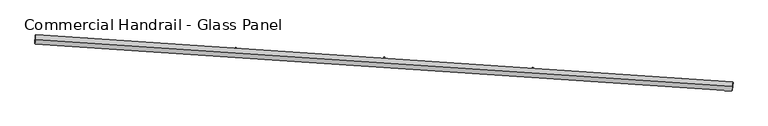
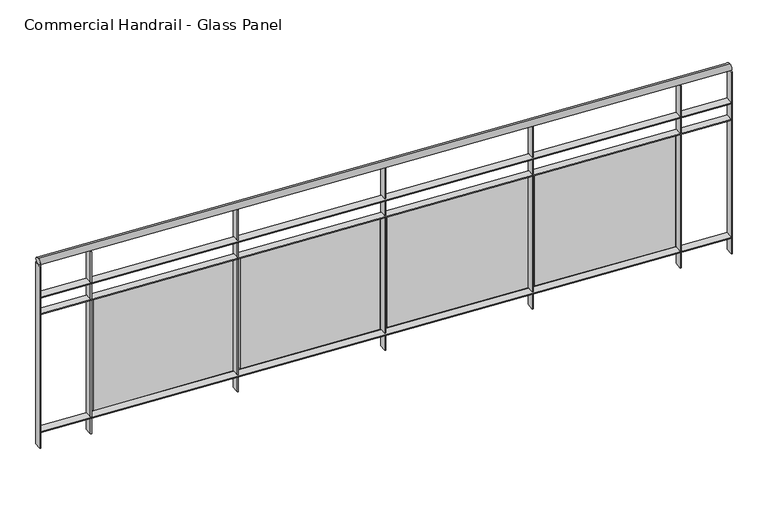
"""IFC4 building model written with IfcOpenShell, lengths in millimetres: railing geometry, Commercial Handrail - Glass Panel."""

from ifc_helpers import new_model, si_unit, point, frame, origin, place, context, project, spatial, polyline, circle_curve, ellipse_curve, trimmed, outline, extrude, source, transform, mapped, element, save
from ifc_brep_helpers import plane_surface, cylinder_surface, revolved_surface, advanced_brep


def commercial_handrail_glass_panel_ac81fc78(model_context):
    return source(origin(), model_context, "Body", "SolidModel", [
        advanced_brep(
        [(127087.1570921, -8003.1164337, 9482.5), (123343.3137882, -7749.5898626, 9482.5), (123343.3137882, -7749.5898626, 9517.5), (127087.1570921, -8003.1164337, 9517.5)],
        [
            (0, 1, circle_curve(frame((111605.6979329, -208849.2754237, 9482.5), z_axis=(0.0, 0.0, 1.0), x_axis=(0.05826798461119784, 0.9983009776461952, 0.0)), 201441.93992)),
            (1, 2, ellipse_curve(frame((123343.3137882, -7749.5898626, 9500.0), z_axis=(0.9983009776461951, -0.05826798461120429, 0.0), x_axis=(-0.058267984611204277, -0.9983009776461949, 0.0)), 25.0, 17.5)),
            (2, 3, circle_curve(frame((111605.6979329, -208849.2754237, 9517.5), z_axis=(0.0, 0.0, -1.0), x_axis=(0.05826798461119784, 0.9983009776461952, 0.0)), 201441.93992)),
            (3, 0, ellipse_curve(frame((127087.1570921, -8003.1164337, 9500.0), z_axis=(-0.9970424186232612, 0.07685320725823905, 0.0), x_axis=(-0.07685320725823903, -0.9970424186232609, 0.0)), 25.0, 17.5)),
            (2, 1, ellipse_curve(frame((123343.3137882, -7749.5898626, 9500.0), z_axis=(0.9983009776461951, -0.05826798461120429, 0.0), x_axis=(-0.058267984611204277, -0.9983009776461949, 0.0)), 25.0, 17.5)),
            (0, 3, ellipse_curve(frame((127087.1570921, -8003.1164337, 9500.0), z_axis=(-0.9970424186232612, 0.07685320725823905, 0.0), x_axis=(-0.07685320725823903, -0.9970424186232609, 0.0)), 25.0, 17.5)),
        ],
        [
            revolved_surface(trimmed(ellipse_curve(frame((123343.3137882, -7749.5898626, 9500.0), z_axis=(-0.9983009776461952, 0.05826798461119784, 0.0), x_axis=(0.0, 0.0, -1.0)), 17.5, 25.0), [point((123343.3137882, -7749.5898626, 9517.5))], [point((123343.3137882, -7749.5898626, 9482.5))], True, "CARTESIAN"), (111605.6979329, -208849.2754237, 9500.0), (0.0, 0.0, -1.0)),
            revolved_surface(trimmed(ellipse_curve(frame((123343.3137882, -7749.5898626, 9500.0), z_axis=(-0.9983009776461952, 0.05826798461119784, 0.0), x_axis=(0.0, 0.0, -1.0)), 17.5, 25.0), [point((123343.3137882, -7749.5898626, 9482.5))], [point((123343.3137882, -7749.5898626, 9517.5))], True, "CARTESIAN"), (111605.6979329, -208849.2754237, 9500.0), (0.0, 0.0, -1.0)),
            plane_surface(frame((123343.3137882, -7749.5898626, 9500.0), z_axis=(-0.9983009776461953, 0.058267984611197844, 0.0), x_axis=(0.058267984611197844, 0.9983009776461953, 0.0))),
            plane_surface(frame((127087.1570921, -8003.1164337, 9500.0), z_axis=(0.9970424186232612, -0.07685320725823909, 0.0), x_axis=(0.07685320725823909, 0.9970424186232612, 0.0))),
        ],
        [
            (0, [[1, 2, 3, 4]]),
            (1, [[-3, 5, -1, 6]]),
            (2, [[-2, -5]]),
            (3, [[-6, -4]]),
        ],
    ),
        advanced_brep(
        [(127088.8862893, -7980.6829793, 9300.0), (123344.6248179, -7727.1280906, 9300.0), (123342.0027586, -7772.0516346, 9300.0), (127085.4278949, -8025.5498881, 9300.0), (127088.8862893, -7980.6829793, 9294.0), (123344.6248179, -7727.1280906, 9294.0), (127085.4278949, -8025.5498881, 9294.0), (123342.0027586, -7772.0516346, 9294.0)],
        [
            (0, 1, circle_curve(frame((111605.6979329, -208849.2754237, 9300.0), z_axis=(0.0, 0.0, 1.0), x_axis=(0.05826798461119784, 0.9983009776461952, 0.0)), 201464.43992)),
            (1, 2),
            (2, 3, circle_curve(frame((111605.6979329, -208849.2754237, 9300.0), z_axis=(0.0, 0.0, -1.0), x_axis=(0.05826798461119784, 0.9983009776461952, 0.0)), 201419.43992)),
            (3, 0),
            (4, 5, circle_curve(frame((111605.6979329, -208849.2754237, 9294.0), z_axis=(0.0, 0.0, 1.0), x_axis=(0.05826798461119784, 0.9983009776461952, 0.0)), 201464.43992)),
            (5, 1),
            (0, 4),
            (6, 7, circle_curve(frame((111605.6979329, -208849.2754237, 9294.0), z_axis=(0.0, 0.0, 1.0), x_axis=(0.05826798461119784, 0.9983009776461952, 0.0)), 201419.43992)),
            (7, 5),
            (4, 6),
            (2, 7),
            (6, 3),
        ],
        [
            plane_surface(frame((111605.6979329, -208849.2754237, 9300.0), z_axis=(0.0, 0.0, 1.0), x_axis=(0.058267984611197844, 0.9983009776461953, 0.0))),
            cylinder_surface(frame((111605.6979329, -208849.2754237, 9300.0), z_axis=(0.0, 0.0, -1.0), x_axis=(0.05826798461119784, 0.9983009776461952, 0.0)), 201464.43992),
            plane_surface(frame((111605.6979329, -208849.2754237, 9294.0), z_axis=(0.0, 0.0, -1.0), x_axis=(0.058267984611197844, 0.9983009776461953, 0.0))),
            revolved_surface(polyline([(123342.00275855465, -7772.051634614909, 9294.0), (123342.00275855465, -7772.051634614909, 9300.0)]), (111605.6979329, -208849.2754237, 9300.0), (0.0, 0.0, -1.0)),
            plane_surface(frame((123343.3137882, -7749.5898626, 9300.0), z_axis=(-0.9983009776461953, 0.058267984611197844, 0.0), x_axis=(0.058267984611197844, 0.9983009776461953, 0.0))),
            plane_surface(frame((127087.1570921, -8003.1164337, 9300.0), z_axis=(0.9970424186232612, -0.07685320725823909, 0.0), x_axis=(0.07685320725823909, 0.9970424186232612, 0.0))),
        ],
        [
            (0, [[1, 2, 3, 4]]),
            (1, [[5, 6, -1, 7]]),
            (2, [[8, 9, -5, 10]]),
            (3, [[-3, 11, -8, 12]]),
            (4, [[-2, -6, -9, -11]]),
            (5, [[-12, -10, -7, -4]]),
        ],
    ),
        advanced_brep(
        [(127088.8862893, -7980.6829793, 9200.0), (123344.6248179, -7727.1280906, 9200.0), (123342.0027586, -7772.0516346, 9200.0), (127085.4278949, -8025.5498881, 9200.0), (127088.8862893, -7980.6829793, 9194.0), (123344.6248179, -7727.1280906, 9194.0), (127085.4278949, -8025.5498881, 9194.0), (123342.0027586, -7772.0516346, 9194.0)],
        [
            (0, 1, circle_curve(frame((111605.6979329, -208849.2754237, 9200.0), z_axis=(0.0, 0.0, 1.0), x_axis=(0.05826798461119784, 0.9983009776461952, 0.0)), 201464.43992)),
            (1, 2),
            (2, 3, circle_curve(frame((111605.6979329, -208849.2754237, 9200.0), z_axis=(0.0, 0.0, -1.0), x_axis=(0.05826798461119784, 0.9983009776461952, 0.0)), 201419.43992)),
            (3, 0),
            (4, 5, circle_curve(frame((111605.6979329, -208849.2754237, 9194.0), z_axis=(0.0, 0.0, 1.0), x_axis=(0.05826798461119784, 0.9983009776461952, 0.0)), 201464.43992)),
            (5, 1),
            (0, 4),
            (6, 7, circle_curve(frame((111605.6979329, -208849.2754237, 9194.0), z_axis=(0.0, 0.0, 1.0), x_axis=(0.05826798461119784, 0.9983009776461952, 0.0)), 201419.43992)),
            (7, 5),
            (4, 6),
            (2, 7),
            (6, 3),
        ],
        [
            plane_surface(frame((111605.6979329, -208849.2754237, 9200.0), z_axis=(0.0, 0.0, 1.0), x_axis=(0.058267984611197844, 0.9983009776461953, 0.0))),
            cylinder_surface(frame((111605.6979329, -208849.2754237, 9200.0), z_axis=(0.0, 0.0, -1.0), x_axis=(0.05826798461119784, 0.9983009776461952, 0.0)), 201464.43992),
            plane_surface(frame((111605.6979329, -208849.2754237, 9194.0), z_axis=(0.0, 0.0, -1.0), x_axis=(0.058267984611197844, 0.9983009776461953, 0.0))),
            revolved_surface(polyline([(123342.00275855465, -7772.051634614909, 9194.0), (123342.00275855465, -7772.051634614909, 9200.0)]), (111605.6979329, -208849.2754237, 9200.0), (0.0, 0.0, -1.0)),
            plane_surface(frame((123343.3137882, -7749.5898626, 9200.0), z_axis=(-0.9983009776461953, 0.058267984611197844, 0.0), x_axis=(0.058267984611197844, 0.9983009776461953, 0.0))),
            plane_surface(frame((127087.1570921, -8003.1164337, 9200.0), z_axis=(0.9970424186232612, -0.07685320725823909, 0.0), x_axis=(0.07685320725823909, 0.9970424186232612, 0.0))),
        ],
        [
            (0, [[1, 2, 3, 4]]),
            (1, [[5, 6, -1, 7]]),
            (2, [[8, 9, -5, 10]]),
            (3, [[-3, 11, -8, 12]]),
            (4, [[-2, -6, -9, -11]]),
            (5, [[-12, -10, -7, -4]]),
        ],
    ),
        advanced_brep(
        [(127088.8862893, -7980.6829793, 8500.0), (123344.6248179, -7727.1280906, 8500.0), (123342.0027586, -7772.0516346, 8500.0), (127085.4278949, -8025.5498881, 8500.0), (127088.8862893, -7980.6829793, 8494.0), (123344.6248179, -7727.1280906, 8494.0), (127085.4278949, -8025.5498881, 8494.0), (123342.0027586, -7772.0516346, 8494.0)],
        [
            (0, 1, circle_curve(frame((111605.6979329, -208849.2754237, 8500.0), z_axis=(0.0, 0.0, 1.0), x_axis=(0.05826798461119784, 0.9983009776461952, 0.0)), 201464.43992)),
            (1, 2),
            (2, 3, circle_curve(frame((111605.6979329, -208849.2754237, 8500.0), z_axis=(0.0, 0.0, -1.0), x_axis=(0.05826798461119784, 0.9983009776461952, 0.0)), 201419.43992)),
            (3, 0),
            (4, 5, circle_curve(frame((111605.6979329, -208849.2754237, 8494.0), z_axis=(0.0, 0.0, 1.0), x_axis=(0.05826798461119784, 0.9983009776461952, 0.0)), 201464.43992)),
            (5, 1),
            (0, 4),
            (6, 7, circle_curve(frame((111605.6979329, -208849.2754237, 8494.0), z_axis=(0.0, 0.0, 1.0), x_axis=(0.05826798461119784, 0.9983009776461952, 0.0)), 201419.43992)),
            (7, 5),
            (4, 6),
            (2, 7),
            (6, 3),
        ],
        [
            plane_surface(frame((111605.6979329, -208849.2754237, 8500.0), z_axis=(0.0, 0.0, 1.0), x_axis=(0.058267984611197844, 0.9983009776461953, 0.0))),
            cylinder_surface(frame((111605.6979329, -208849.2754237, 8500.0), z_axis=(0.0, 0.0, -1.0), x_axis=(0.05826798461119784, 0.9983009776461952, 0.0)), 201464.43992),
            plane_surface(frame((111605.6979329, -208849.2754237, 8494.0), z_axis=(0.0, 0.0, -1.0), x_axis=(0.058267984611197844, 0.9983009776461953, 0.0))),
            revolved_surface(polyline([(123342.00275855465, -7772.051634614909, 8494.0), (123342.00275855465, -7772.051634614909, 8500.0)]), (111605.6979329, -208849.2754237, 8500.0), (0.0, 0.0, -1.0)),
            plane_surface(frame((123343.3137882, -7749.5898626, 8500.0), z_axis=(-0.9983009776461953, 0.058267984611197844, 0.0), x_axis=(0.058267984611197844, 0.9983009776461953, 0.0))),
            plane_surface(frame((127087.1570921, -8003.1164337, 8500.0), z_axis=(0.9970424186232612, -0.07685320725823909, 0.0), x_axis=(0.07685320725823909, 0.9970424186232612, 0.0))),
        ],
        [
            (0, [[1, 2, 3, 4]]),
            (1, [[5, 6, -1, 7]]),
            (2, [[8, 9, -5, 10]]),
            (3, [[-3, 11, -8, 12]]),
            (4, [[-2, -6, -9, -11]]),
            (5, [[-12, -10, -7, -4]]),
        ],
    ),
        extrude(outline(polyline([(126807.0337746, -8004.2850074), (126810.43064, -7959.4133983), (126816.4135212, -7959.8663137), (126813.0166558, -8004.7379228), (126807.0337746, -8004.2850074)])), frame((0.0, 0.0, 8400.0), z_axis=(0.0, 0.0, 1.0), x_axis=(1.0, 0.0, 0.0)), (0.0, 0.0, 1.0), 1082.1192282),
        extrude(outline(polyline([(126034.3041964, -7918.3613778), (126792.2482403, -7974.2257342), (126791.3661716, -7986.1932717), (126033.4221277, -7930.3289154), (126034.3041964, -7918.3613778)])), frame((0.0, 0.0, 8520.0), z_axis=(0.0, 0.0, 1.0), x_axis=(1.0, 0.0, 0.0)), (0.0, 0.0, 1.0), 660.0),
        extrude(outline(polyline([(126009.2867014, -7945.4989105), (126012.5053388, -7900.614165), (126018.4899716, -7901.0433167), (126015.2713341, -7945.9280621), (126009.2867014, -7945.4989105)])), frame((0.0, 0.0, 8400.0), z_axis=(0.0, 0.0, 1.0), x_axis=(1.0, 0.0, 0.0)), (0.0, 0.0, 1.0), 1082.1192282),
        extrude(outline(polyline([(125236.2219835, -7862.6447436), (125994.3819077, -7915.4985929), (125993.5473732, -7927.4695391), (125235.387449, -7874.6156898), (125236.2219835, -7862.6447436)])), frame((0.0, 0.0, 8520.0), z_axis=(0.0, 0.0, 1.0), x_axis=(1.0, 0.0, 0.0)), (0.0, 0.0, 1.0), 660.0),
        extrude(outline(polyline([(125211.3124586, -7889.8814157), (125214.3528173, -7844.9842418), (125220.3391071, -7845.389623), (125217.2987484, -7890.2867968), (125211.3124586, -7889.8814157)])), frame((0.0, 0.0, 8400.0), z_axis=(0.0, 0.0, 1.0), x_axis=(1.0, 0.0, 0.0)), (0.0, 0.0, 1.0), 1082.1192282),
        extrude(outline(polyline([(124437.9247935, -7810.0980184), (125196.2886404, -7859.940527), (125195.5016534, -7871.914693), (124437.1378065, -7822.0721844), (124437.9247935, -7810.0980184)])), frame((0.0, 0.0, 8520.0), z_axis=(0.0, 0.0, 1.0), x_axis=(1.0, 0.0, 0.0)), (0.0, 0.0, 1.0), 660.0),
        extrude(outline(polyline([(124413.1236316, -7837.4334002), (124415.9856636, -7792.5245061), (124421.9735161, -7792.9061104), (124419.1114841, -7837.8150045), (124413.1236316, -7837.4334002)])), frame((0.0, 0.0, 8400.0), z_axis=(0.0, 0.0, 1.0), x_axis=(1.0, 0.0, 0.0)), (0.0, 0.0, 1.0), 1082.1192282),
        extrude(outline(polyline([(123639.4252169, -7760.7220307), (124397.9810259, -7807.5524126), (124397.2415988, -7819.5296096), (123638.6857898, -7772.6992277), (123639.4252169, -7760.7220307)])), frame((0.0, 0.0, 8520.0), z_axis=(0.0, 0.0, 1.0), x_axis=(1.0, 0.0, 0.0)), (0.0, 0.0, 1.0), 660.0),
        extrude(outline(polyline([(123614.7328091, -7788.1556913), (123617.4164693, -7743.2357852), (123623.4057901, -7743.5936065), (123620.72213, -7788.5135127), (123614.7328091, -7788.1556913)])), frame((0.0, 0.0, 8400.0), z_axis=(0.0, 0.0, 1.0), x_axis=(1.0, 0.0, 0.0)), (0.0, 0.0, 1.0), 1082.1192282),
        extrude(outline(polyline([(127082.4367677, -8025.3193285), (127085.895162, -7980.4524197), (127091.8774165, -7980.9135389), (127088.4190222, -8025.7804477), (127082.4367677, -8025.3193285)])), frame((0.0, 0.0, 8400.0), z_axis=(0.0, 0.0, 1.0), x_axis=(1.0, 0.0, 0.0)), (0.0, 0.0, 1.0), 1082.1192282),
        extrude(outline(polyline([(123339.0078557, -7771.8768307), (123341.629915, -7726.9532867), (123347.6197208, -7727.3028946), (123344.9976615, -7772.2264386), (123339.0078557, -7771.8768307)])), frame((0.0, 0.0, 8400.0), z_axis=(0.0, 0.0, 1.0), x_axis=(1.0, 0.0, 0.0)), (0.0, 0.0, 1.0), 1082.1192282),
    ])


if __name__ == "__main__":
    model = new_model("IFC4")
    model_context = context("Model", 3, world=origin())
    ifc_project = project(units=[si_unit("LENGTHUNIT", "METRE", prefix="MILLI")], contexts=[model_context])
    site = spatial("IfcSite", under=ifc_project)
    building = spatial("IfcBuilding", under=site)
    placement = place(None, origin())
    commercial_handrail_glass_panel_shape = commercial_handrail_glass_panel_ac81fc78(model_context)
    element("IfcRailing", 1, ObjectType="Commercial Handrail - Glass Panel", at=placement, inside=building, context=model_context, shape_type="MappedRepresentation", body=[
        mapped(commercial_handrail_glass_panel_shape, transform((0.0, 0.0, 0.0), x_axis=(1.0, 0.0, 0.0), y_axis=(0.0, 1.0, 0.0), z_axis=(0.0, 0.0, 1.0))),
    ])
    save(model, "model.ifc")
